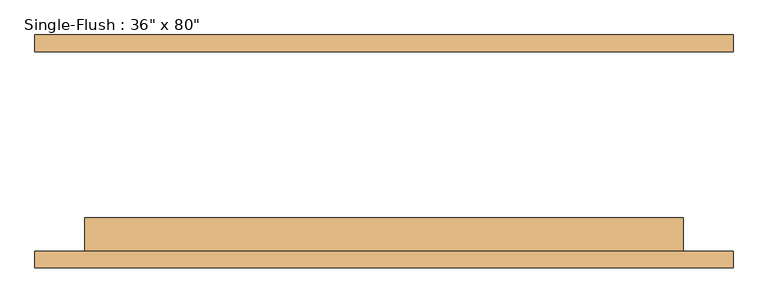
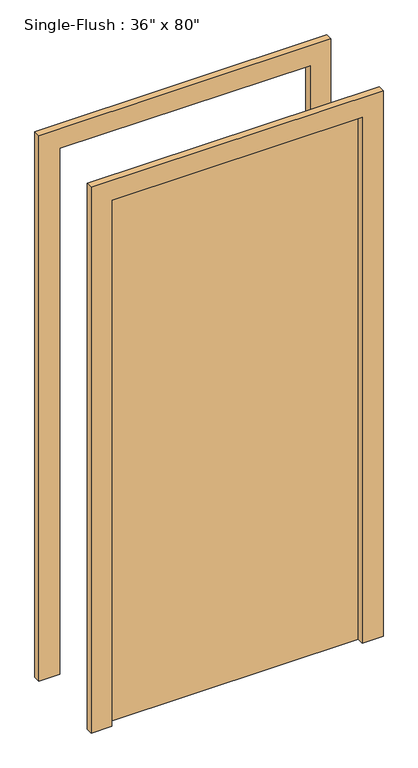
"""IFC4 building model written with IfcOpenShell, lengths in millimetres: door geometry."""

from ifc_helpers import new_model, si_unit, frame, origin, origin_with_axes, place, context, project, spatial, polyline, outline, extrude, source, transform, mapped, element, save


def door_d4745349(model_context):
    return source(origin(), model_context, "Body", "SweptSolid", [
        extrude(outline(polyline([(2108.2, -533.4), (0.0, -533.4), (0.0, -457.2), (2032.0, -457.2), (2032.0, 457.2), (0.0, 457.2), (0.0, 533.4), (2108.2, 533.4), (2108.2, -533.4)])), frame((0.0, -177.8, 0.0), z_axis=(0.0, 1.0, 0.0), x_axis=(0.0, 0.0, 1.0)), (0.0, 0.0, 1.0), 25.4),
        extrude(outline(polyline([(2108.2, 533.4), (2108.2, -533.4), (0.0, -533.4), (0.0, -457.2), (2032.0, -457.2), (2032.0, 457.2), (0.0, 457.2), (0.0, 533.4), (2108.2, 533.4)])), frame((0.0, 152.4, 0.0), z_axis=(0.0, 1.0, 0.0), x_axis=(0.0, 0.0, 1.0)), (0.0, 0.0, 1.0), 25.4),
        extrude(outline(polyline([(457.2, -101.6), (457.2, -152.4), (-457.2, -152.4), (-457.2, -101.6), (457.2, -101.6)])), origin_with_axes(), (0.0, 0.0, 1.0), 2032.0),
    ])


if __name__ == "__main__":
    model = new_model("IFC4")
    model_context = context("Model", 3, world=origin())
    ifc_project = project(units=[si_unit("LENGTHUNIT", "METRE", prefix="MILLI")], contexts=[model_context])
    site = spatial("IfcSite", under=ifc_project)
    building = spatial("IfcBuilding", under=site)
    placement = place(None, origin())
    door_shape = door_d4745349(model_context)
    element("IfcDoor", 1, ObjectType="Single-Flush : 36\" x 80\"", at=placement, inside=building, context=model_context, shape_type="MappedRepresentation", body=[
        mapped(door_shape, transform((0.0, 0.0, 0.0), x_axis=(1.0, 0.0, 0.0), y_axis=(0.0, 1.0, 0.0), z_axis=(0.0, 0.0, 1.0))),
    ])
    save(model, "model.ifc")
